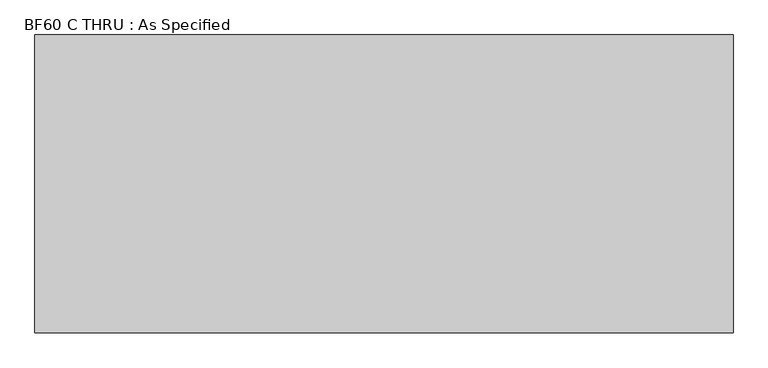
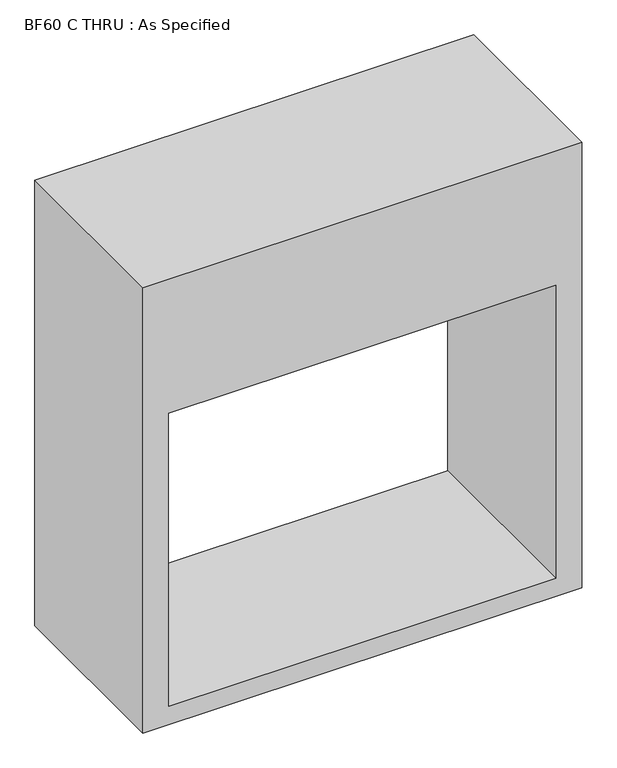
"""IFC4 building model written with IfcOpenShell, lengths in millimetres: proxy geometry, BF60 C THRU : As Specified."""

from ifc_helpers import new_model, si_unit, frame, origin, place, context, project, spatial, polyline, outline, extrude, source, transform, mapped, element, save


def bf60_c_thru_as_specified_79022049(model_context):
    return source(origin(), model_context, "Body", "SweptSolid", [
        extrude(outline(polyline([(1854.2, 863.6), (1854.2, -863.6), (0.0, -863.6), (0.0, 863.6), (1854.2, 863.6)]), holes=[polyline([(1295.4, -762.0), (1295.4, 762.0), (76.2, 762.0), (76.2, -762.0), (1295.4, -762.0)])]), frame((0.0, -368.3, 0.0), z_axis=(0.0, 1.0, 0.0), x_axis=(0.0, 0.0, 1.0)), (0.0, 0.0, 1.0), 736.6),
    ])


if __name__ == "__main__":
    model = new_model("IFC4")
    model_context = context("Model", 3, world=origin())
    ifc_project = project(units=[si_unit("LENGTHUNIT", "METRE", prefix="MILLI")], contexts=[model_context])
    site = spatial("IfcSite", under=ifc_project)
    building = spatial("IfcBuilding", under=site)
    placement = place(None, origin())
    bf60_c_thru_as_specified_shape = bf60_c_thru_as_specified_79022049(model_context)
    element("IfcBuildingElementProxy", 1, Name="BF60 C THRU : As Specified", ObjectType="BF60 C THRU : As Specified", at=placement, inside=building, context=model_context, shape_type="MappedRepresentation", body=[
        mapped(bf60_c_thru_as_specified_shape, transform((0.0, 0.0, 0.0), x_axis=(1.0, 0.0, 0.0), y_axis=(0.0, 1.0, 0.0), z_axis=(0.0, 0.0, 1.0))),
    ])
    save(model, "model.ifc")
